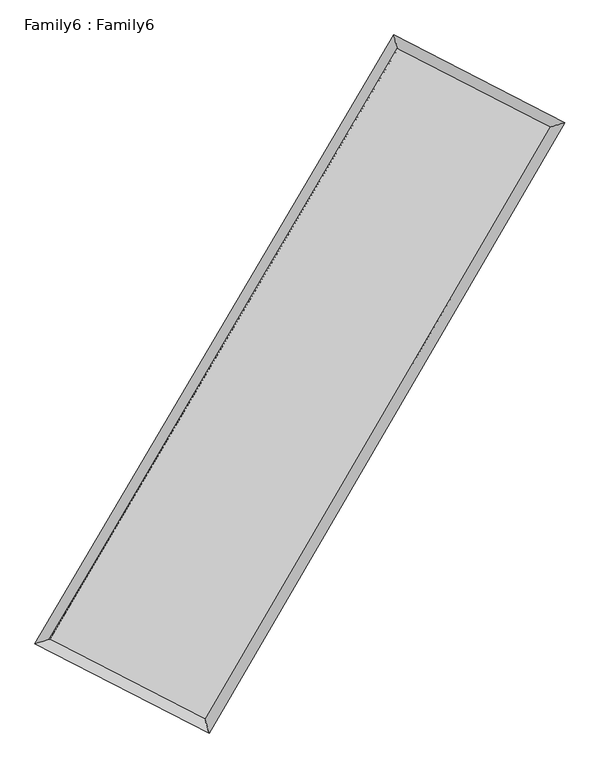
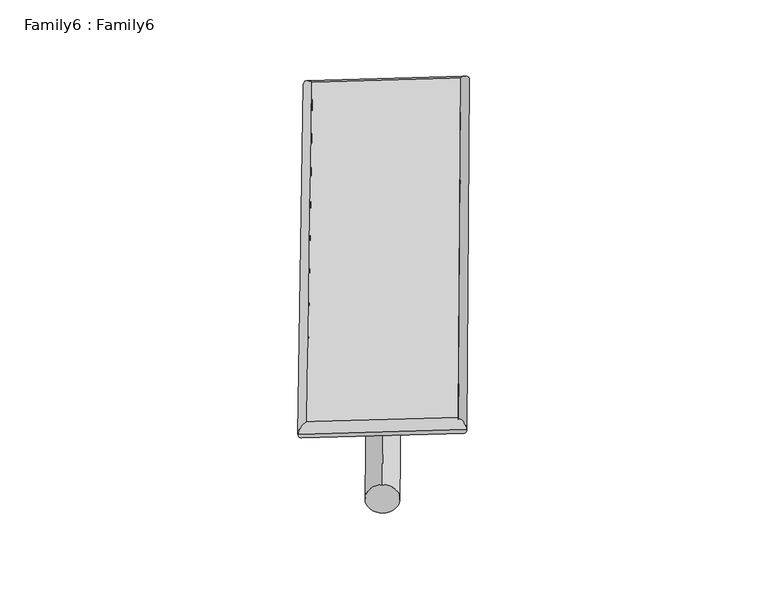
"""IFC4 building model written with IfcOpenShell, lengths in millimetres: plate geometry, Family6 : Family6."""

from ifc_helpers import new_model, si_unit, point, frame, origin, origin_2d, place, context, project, spatial, circle_curve, ellipse_curve, trimmed, segment, composite_curve, outline, extrude, source, transform, mapped, element, save
from ifc_brep_helpers import plane_surface, cylinder_surface, spline_surface, advanced_brep


def family6_family6_d75df259(model_context):
    return source(origin(), model_context, "Body", "SolidModel", [
        extrude(outline(composite_curve([segment(trimmed(circle_curve(origin_2d(), 76.2), [point((-75.4341514, -10.7763074))], [point((75.4341514, 10.7763074))], False, "CARTESIAN"), True, "CONTINUOUS"), segment(trimmed(circle_curve(origin_2d(), 76.2), [point((75.4341514, 10.7763074))], [point((-75.4341514, -10.7763074))], False, "CARTESIAN"), True, "CONTINUOUS")], self_intersect=False)), frame((9144.0, 9144.0, 0.0), z_axis=(0.6718615777754104, 0.6897768566516442, 0.2698331120098374), x_axis=(-0.6813745025250162, 0.7184286432194519, -0.13996096566773297)), (0.0, 0.0, 1.0), 5646.4114807),
        extrude(outline(composite_curve([segment(trimmed(circle_curve(origin_2d(), 76.2), [point((-53.8815367, 53.8815367))], [point((53.8815367, -53.8815367))], False, "CARTESIAN"), True, "CONTINUOUS"), segment(trimmed(circle_curve(origin_2d(), 76.2), [point((53.8815367, -53.8815367))], [point((-53.8815367, 53.8815367))], False, "CARTESIAN"), True, "CONTINUOUS")], self_intersect=False)), frame((9144.0, 9144.0, 0.0), z_axis=(-0.6750049259410109, -0.6868147460952296, 0.2695437895806836), x_axis=(0.6388831767934586, -0.3613613823225478, 0.6791511155672467)), (0.0, 0.0, 1.0), 5652.9317618),
        extrude(outline(composite_curve([segment(trimmed(circle_curve(origin_2d(), 76.2), [point((-53.8815367, -53.8815367))], [point((53.8815367, 53.8815367))], False, "CARTESIAN"), True, "CONTINUOUS"), segment(trimmed(circle_curve(origin_2d(), 76.2), [point((53.8815367, 53.8815367))], [point((-53.8815367, -53.8815367))], False, "CARTESIAN"), True, "CONTINUOUS")], self_intersect=False)), frame((9144.0, 9144.0, 0.0), z_axis=(0.2666677985663372, 0.923380339144118, 0.27614676259170057), x_axis=(-0.8417595812011107, 0.3626835474553025, -0.39987679585263275)), (0.0, 0.0, 1.0), 5509.6699487),
        extrude(outline(composite_curve([segment(trimmed(circle_curve(origin_2d(), 76.2), [point((-75.4341515, 10.7763073))], [point((75.4341515, -10.7763073))], False, "CARTESIAN"), True, "CONTINUOUS"), segment(trimmed(circle_curve(origin_2d(), 76.2), [point((75.4341515, -10.7763073))], [point((-75.4341515, 10.7763073))], False, "CARTESIAN"), True, "CONTINUOUS")], self_intersect=False)), frame((9144.0, 9144.0, 0.0), z_axis=(-0.26239021762318965, -0.9246772951726778, 0.27590446442164634), x_axis=(0.8818519418064049, -0.11369544877990363, 0.4576139176849951)), (0.0, 0.0, 1.0), 5515.1814608),
        advanced_brep(
        [(5114.9773196, 5199.7350581, 1523.554198), (5114.9771682, 5199.7348629, 1523.9137962), (5541.5091099, 5323.2311566, 1523.8711007), (10671.5778524, 14030.2960385, 1521.7014975), (10554.9252597, 14432.7457732, 1521.2535411), (5541.5092613, 5323.2313517, 1523.5115025), (12724.9899339, 12976.5752739, 1523.5666561), (13150.2239185, 13100.9526511, 1523.6109069), (7637.9631467, 4245.8559951, 1521.697539), (7755.7775258, 3842.6178536, 1521.6288352)],
        [
            (0, 1, ellipse_curve(frame((5328.2432148, 5261.4831073, 1523.7126493), z_axis=(-0.27811312361859836, 0.9605482429804757, 0.00040420072631090976), x_axis=(-0.9605480254225415, -0.2781133453986112, 0.000676733366486823)), 222.0254393, 152.4)),
            (1, 2, ellipse_curve(frame((5328.2432148, 5261.4831073, 1523.7126493), z_axis=(-0.27811312361859836, 0.9605482429804757, 0.00040420072631090976), x_axis=(-0.9605480254225415, -0.2781133453986112, 0.000676733366486823)), 222.0254393, 152.4)),
            (2, 3),
            (3, 4, ellipse_curve(frame((10613.2515561, 14231.5209058, 1521.4775193), z_axis=(-0.9604658484746338, -0.2783975350513714, -0.00040791080181590663), x_axis=(0.27839718890511245, -0.9604657462727489, 0.000745282807006981)), 209.507657, 152.4)),
            (4, 0),
            (2, 5, ellipse_curve(frame((5328.2432148, 5261.4831073, 1523.7126493), z_axis=(-0.27811312361859836, 0.9605482429804757, 0.00040420072631090976), x_axis=(-0.9605480254225415, -0.2781133453986112, 0.000676733366486823)), 222.0254393, 152.4)),
            (5, 0, ellipse_curve(frame((5328.2432148, 5261.4831073, 1523.7126493), z_axis=(-0.27811312361859836, 0.9605482429804757, 0.00040420072631090976), x_axis=(-0.9605480254225415, -0.2781133453986112, 0.000676733366486823)), 222.0254393, 152.4)),
            (4, 3, ellipse_curve(frame((10613.2515561, 14231.5209058, 1521.4775193), z_axis=(-0.9604658484746338, -0.2783975350513714, -0.00040791080181590663), x_axis=(0.27839718890511245, -0.9604657462727489, 0.000745282807006981)), 209.507657, 152.4)),
            (3, 6),
            (6, 7, ellipse_curve(frame((12937.6069262, 13038.7639625, 1523.5887815), z_axis=(-0.280729550988902, 0.9597868065785209, -0.0004529010645829437), x_axis=(-0.9597865933763302, -0.2807298114836028, -0.00068419254576315)), 221.5252526, 152.4)),
            (7, 4),
            (7, 6, ellipse_curve(frame((12937.6069262, 13038.7639625, 1523.5887815), z_axis=(-0.280729550988902, 0.9597868065785209, -0.0004529010645829437), x_axis=(-0.9597865933763302, -0.2807298114836028, -0.00068419254576315)), 221.5252526, 152.4)),
            (6, 8),
            (8, 9, ellipse_curve(frame((7696.8703363, 4044.2369244, 1521.6631871), z_axis=(0.9598697471443356, 0.28044590603731223, -0.0004028696818821132), x_axis=(-0.2804455931534871, 0.9598696725484767, 0.0006935434152693917)), 210.048373, 152.4)),
            (9, 7),
            (9, 8, ellipse_curve(frame((7696.8703363, 4044.2369244, 1521.6631871), z_axis=(0.9598697471443356, 0.28044590603731223, -0.0004028696818821132), x_axis=(-0.2804455931534871, 0.9598696725484767, 0.0006935434152693917)), 210.048373, 152.4)),
            (8, 5),
            (1, 9),
        ],
        [
            cylinder_surface(frame((5328.2432148, 5261.4831073, 1523.7126493), z_axis=(-0.5076276464818932, -0.8615765354496722, 0.0002146853374229965), x_axis=(-0.8615760016897583, 0.5076270162523429, -0.0012671554889391809)), 152.4),
            cylinder_surface(frame((10613.2515561, 14231.5209058, 1521.4775193), z_axis=(-0.8896959397838861, 0.4565528246083708, -0.0008081300552910734), x_axis=(0.4565533680488153, 0.8896957467510185, -0.00070734463365362)), 152.4),
            cylinder_surface(frame((12937.6069262, 13038.7639625, 1523.5887815), z_axis=(0.5034358356188456, 0.8640325949861165, 0.00018497651920615536), x_axis=(0.8640326133421863, -0.5034358356188455, -4.9958251141585194e-05)), 152.4),
            cylinder_surface(frame((7696.8703363, 4044.2369244, 1521.6631871), z_axis=(0.889425697917775, -0.4570791349783183, -0.0007695784244033528), x_axis=(-0.4570788668146093, -0.8894260255702692, 0.0005045292335666328)), 152.4),
        ],
        [
            (0, [[1, 2, 3, 4, 5]]),
            (0, [[6, 7, -5, 8, -3]]),
            (1, [[-4, 9, 10, 11]]),
            (1, [[-8, -11, 12, -9]]),
            (2, [[-10, 13, 14, 15]]),
            (2, [[-12, -15, 16, -13]]),
            (3, [[-14, 17, -6, -2, 18]]),
            (3, [[-16, -18, -1, -7, -17]]),
        ],
    ),
        extrude(outline(composite_curve([segment(trimmed(circle_curve(origin_2d(), 304.8), [point((0.0, -304.8))], [point((0.0, 304.8))], False, "CARTESIAN"), True, "CONTINUOUS"), segment(trimmed(circle_curve(origin_2d(), 304.8), [point((0.0, 304.8))], [point((0.0, -304.8))], False, "CARTESIAN"), True, "CONTINUOUS")], self_intersect=False)), frame((6498.6996872, 4628.4864215, -2.71e-05), z_axis=(0.505474176445887, 0.8628417334287629, 5.1848990558379445e-09), x_axis=(-0.8628417334287629, 0.505474176445887, 1.406900292802016e-09)), (0.0, 0.0, 1.0), 10466.609121),
        advanced_brep(
        [(5328.2432148, 5261.4831073, 1523.7126493), (7696.8703363, 4044.2369244, 1521.6631871), (7696.8708264, 4044.2392604, 1674.0631871), (5328.243705, 5261.4854434, 1676.1126493), (12937.6069262, 13038.7639625, 1523.5887815), (12937.6074164, 13038.7662985, 1675.9887815), (10613.2515561, 14231.5209058, 1521.4775193), (10613.2520462, 14231.5232419, 1673.8775193)],
        [
            (0, 1),
            (1, 2),
            (2, 3),
            (3, 0),
            (1, 4),
            (4, 5),
            (5, 2),
            (4, 6),
            (6, 7),
            (7, 5),
            (6, 0),
            (3, 7),
        ],
        [
            plane_surface(frame((6512.5567755, 4652.8600159, 1522.6879182), z_axis=(-0.45707925994083304, -0.8894259665108843, 1.5103638120137386e-05), x_axis=(0.889425697917775, -0.45707913497831815, -0.0007695784244033529))),
            plane_surface(frame((10317.2386312, 8541.5004434, 1522.6259843), z_axis=(0.8640326092977673, -0.5034358450147451, 4.937739784046681e-06), x_axis=(0.5034358356188452, 0.8640325949861165, 0.00018497651920615547))),
            plane_surface(frame((11775.4292411, 13635.1424342, 1522.5331504), z_axis=(0.4565529844989184, 0.8896962246277864, -1.5106087988514018e-05), x_axis=(-0.889695939783886, 0.45655282460837077, -0.0008081300552910735))),
            plane_surface(frame((7970.7473854, 9746.5020066, 1522.5950843), z_axis=(-0.8615765558397825, 0.5076276572470806, -5.009893290645087e-06), x_axis=(-0.507627646481893, -0.8615765354496723, 0.00021468533742299677))),
            spline_surface(1, 1, [[(7696.8708264, 4044.2392604, 1674.0631871), (5328.243705, 5261.4854434, 1676.1126493)], [(12937.6074164, 13038.7662985, 1675.9887815), (10613.2520462, 14231.5232419, 1673.8775193)]], [2, 2], [2, 2], [0.0, 1.0], [0.0, 1.0]),
            spline_surface(1, 1, [[(10613.2515561, 14231.5209058, 1521.4775193), (5328.2432148, 5261.4831073, 1523.7126493)], [(12937.6069262, 13038.7639625, 1523.5887815), (7696.8703363, 4044.2369244, 1521.6631871)]], [2, 2], [2, 2], [0.0, 1.0], [0.0, 1.0]),
        ],
        [
            (0, [[1, 2, 3, 4]]),
            (1, [[5, 6, 7, -2]]),
            (2, [[8, 9, 10, -6]]),
            (3, [[11, -4, 12, -9]]),
            (4, [[-3, -7, -10, -12]]),
            (5, [[-11, -8, -5, -1]]),
        ],
    ),
    ])


if __name__ == "__main__":
    model = new_model("IFC4")
    model_context = context("Model", 3, world=origin())
    ifc_project = project(units=[si_unit("LENGTHUNIT", "METRE", prefix="MILLI")], contexts=[model_context])
    site = spatial("IfcSite", under=ifc_project)
    building = spatial("IfcBuilding", under=site)
    placement = place(None, origin())
    family6_family6_shape = family6_family6_d75df259(model_context)
    element("IfcPlate", 1, ObjectType="Family6 : Family6", at=placement, inside=building, context=model_context, shape_type="MappedRepresentation", body=[
        mapped(family6_family6_shape, transform((0.0, 0.0, 0.0), x_axis=(1.0, 0.0, 0.0), y_axis=(0.0, 1.0, 0.0), z_axis=(0.0, 0.0, 1.0))),
    ])
    save(model, "model.ifc")
